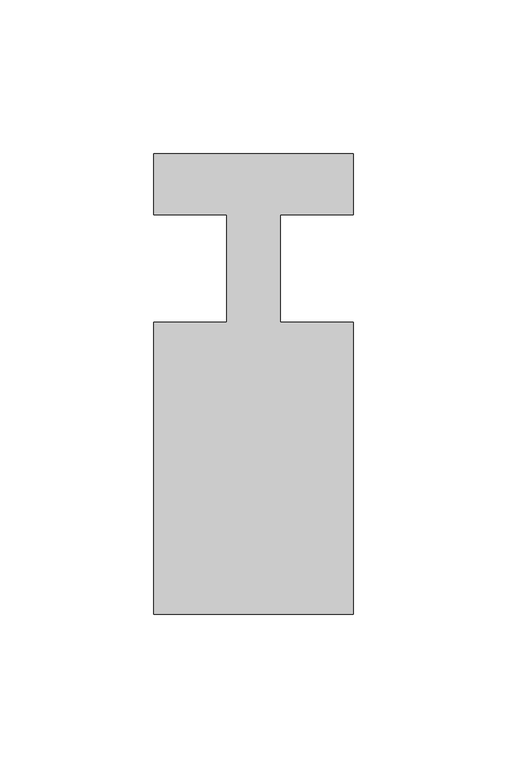
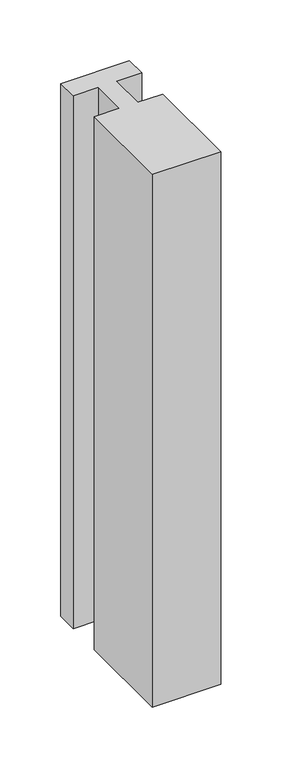
"""IFC4 building model written with IfcOpenShell, lengths in millimetres: member geometry."""

from ifc_helpers import new_model, si_unit, frame, origin, place, context, project, spatial, polyline, outline, extrude, source, transform, mapped, element, save


def member_ff2c54b5(model_context):
    return source(origin(), model_context, "Body", "SweptSolid", [
        extrude(outline(polyline([(-65.0, 37.0), (0.0, 37.0), (0.0, 17.0), (-23.8125, 17.0), (-23.8125, -18.0), (0.0, -18.0), (0.0, -113.0), (-65.0, -113.0), (-65.0, -18.0), (-41.1875, -18.0), (-41.1875, 17.0), (-65.0, 17.0), (-65.0, 37.0)])), frame((0.0, 0.0, -534.4231764), z_axis=(0.0, 0.0, 1.0), x_axis=(1.0, 0.0, 0.0)), (0.0, 0.0, 1.0), 534.4231764),
    ])


if __name__ == "__main__":
    model = new_model("IFC4")
    model_context = context("Model", 3, world=origin())
    ifc_project = project(units=[si_unit("LENGTHUNIT", "METRE", prefix="MILLI")], contexts=[model_context])
    site = spatial("IfcSite", under=ifc_project)
    building = spatial("IfcBuilding", under=site)
    placement = place(None, origin())
    member_shape = member_ff2c54b5(model_context)
    element("IfcMember", 1, at=placement, inside=building, context=model_context, shape_type="MappedRepresentation", body=[
        mapped(member_shape, transform((0.0, 0.0, 0.0), x_axis=(1.0, 0.0, 0.0), y_axis=(0.0, 1.0, 0.0), z_axis=(0.0, 0.0, 1.0))),
    ])
    save(model, "model.ifc")
